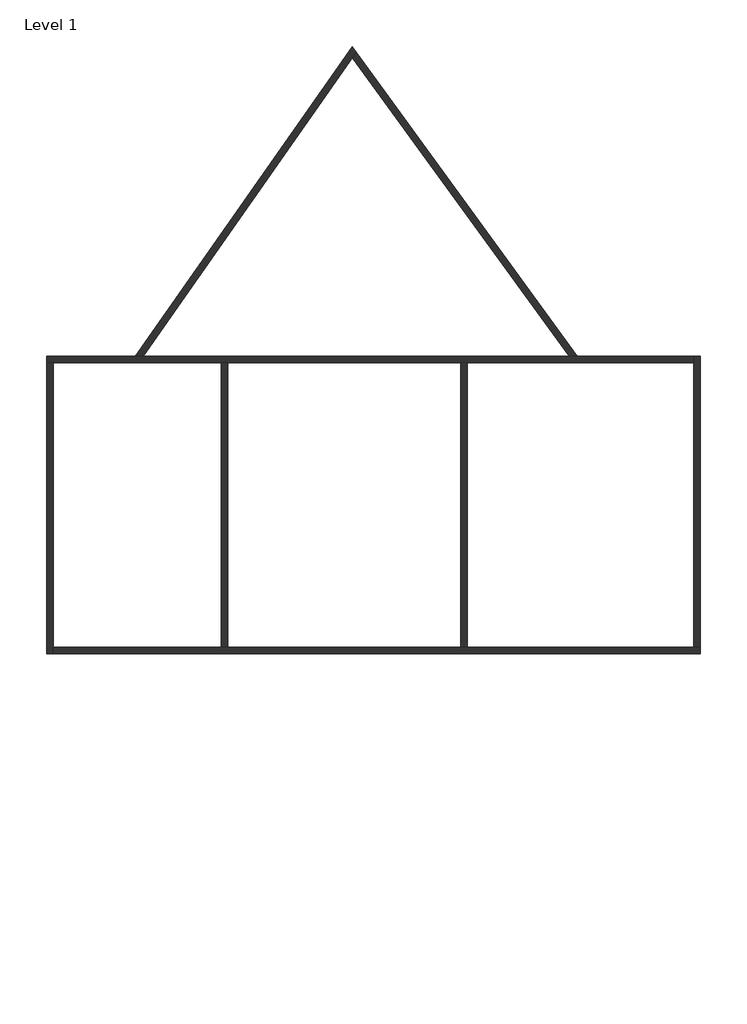
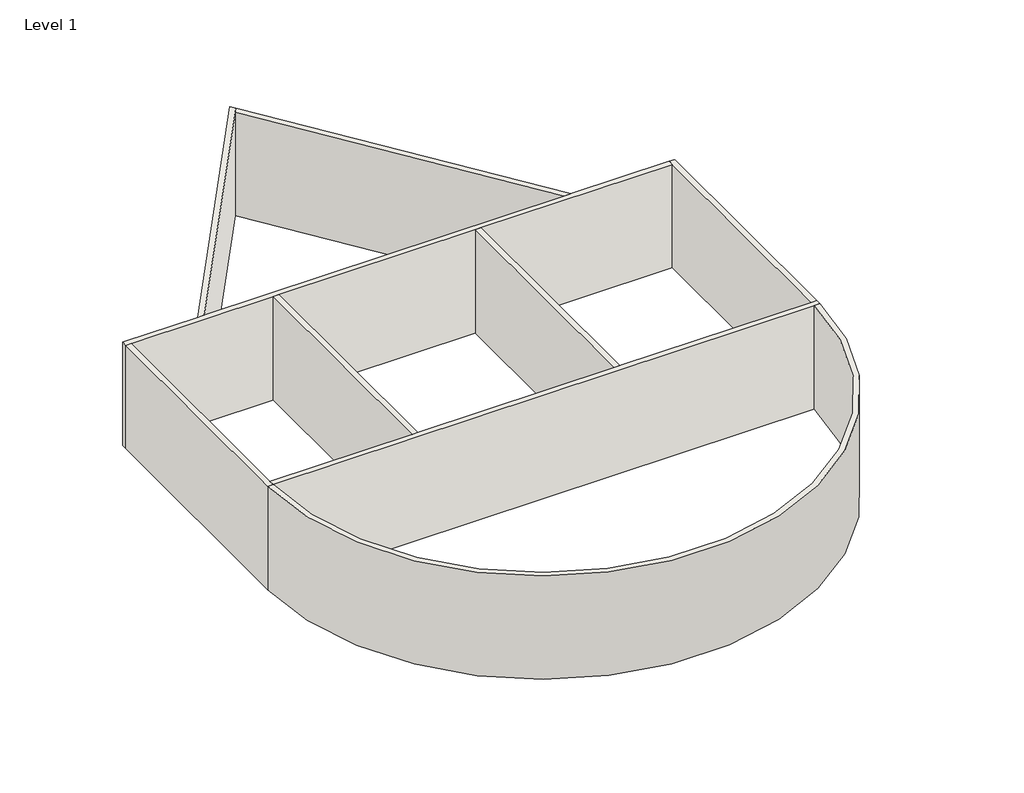
# One storey: 9 walls.
"""IFC4 building model written with IfcOpenShell, lengths in millimetres."""

import ifcopenshell
import ifcopenshell.guid

model = None  # the IFC model being written
_history = None  # IfcOwnerHistory: only IFC2X3 demands one
_inside = {}  # id of a spatial element -> (the spatial element, [elements in it])
_under = {}  # id of a project, library or spatial element -> (it, [spatial elements below it])
_declared = {}  # id of a project -> (the project, [libraries it declares])
_typed = {}  # id of a type object -> (the type object, [elements of that type])
_made_of = {}  # id of a material, layer set ... -> (it, [elements and type objects made of it])


def new_model(schema):
    """Start an empty IFC model of exactly this schema.

    Asked for "IFC4X3", IfcOpenShell would pick the latest addendum, in which some entities
    have other attributes; the version numbers below select the first issue.
    IFC2X3 requires an IfcOwnerHistory on every rooted entity: one is made here for all.
    """
    global model, _history
    if schema == "IFC4X3":
        model = ifcopenshell.file(schema_version=(4, 3, 0, 0))
    else:
        model = ifcopenshell.file(schema=schema)
    _inside.clear()
    _under.clear()
    _declared.clear()
    _typed.clear()
    _made_of.clear()
    _history = None
    if model.schema == "IFC2X3":
        org = make("IfcOrganization", Name="unknown")
        user = make(
            "IfcPersonAndOrganization",
            ThePerson=make("IfcPerson", FamilyName="unknown"),
            TheOrganization=org,
        )
        app = make(
            "IfcApplication",
            ApplicationDeveloper=org,
            Version="unknown",
            ApplicationFullName="unknown",
            ApplicationIdentifier="unknown",
        )
        _history = make(
            "IfcOwnerHistory",
            OwningUser=user,
            OwningApplication=app,
            ChangeAction="ADDED",
            CreationDate=0,
        )
    return model


def make(cls, **values):
    """One entity of the class cls with the attributes given. An attribute that is None is left unset."""
    return model.create_entity(
        cls, **{name: value for name, value in values.items() if value is not None}
    )


def rooted(cls, **values):
    """An entity with a GlobalId (a new one), such as an element, a storey or a relation."""
    return make(cls, GlobalId=ifcopenshell.guid.new(), OwnerHistory=_history, **values)


def si_unit(unit_type, name, prefix=None):
    """IfcSIUnit, for example si_unit("LENGTHUNIT", "METRE", prefix="MILLI")."""
    return make("IfcSIUnit", UnitType=unit_type, Prefix=prefix, Name=name)


def assignment(units):
    """IfcUnitAssignment: the units of a project."""
    return None if units is None else make("IfcUnitAssignment", Units=units)


def point(xyz):
    """IfcCartesianPoint."""
    return None if xyz is None else make("IfcCartesianPoint", Coordinates=xyz)


def direction(xyz):
    """IfcDirection."""
    return None if xyz is None else make("IfcDirection", DirectionRatios=xyz)


def frame(location, z_axis=None, x_axis=None):
    """IfcAxis2Placement3D, a coordinate frame: its origin and axes. An axis left out is left unset."""
    return make(
        "IfcAxis2Placement3D",
        Location=point(location),
        Axis=direction(z_axis),
        RefDirection=direction(x_axis),
    )


def origin():
    """The frame at (0, 0, 0) with its axes left unset."""
    return frame((0.0, 0.0, 0.0))


def origin_with_axes():
    """The frame at (0, 0, 0) with the z axis (0, 0, 1) and the x axis (1, 0, 0) written out."""
    return frame((0.0, 0.0, 0.0), z_axis=(0.0, 0.0, 1.0), x_axis=(1.0, 0.0, 0.0))


def place(relative_to, where):
    """IfcLocalPlacement: puts the frame where relative to a parent placement (None: the world)."""
    return make(
        "IfcLocalPlacement", PlacementRelTo=relative_to, RelativePlacement=where
    )


def context(
    kind, dimensions, precision=None, world=None, true_north=None, identifier=None
):
    """IfcGeometricRepresentationContext, for example the 3D "Model" context."""
    return make(
        "IfcGeometricRepresentationContext",
        ContextIdentifier=identifier,
        ContextType=kind,
        CoordinateSpaceDimension=dimensions,
        Precision=precision,
        WorldCoordinateSystem=world,
        TrueNorth=true_north,
    )


def project(units=None, contexts=None):
    """IfcProject with its units and contexts."""
    return rooted(
        "IfcProject",
        Name="project",
        RepresentationContexts=contexts,
        UnitsInContext=assignment(units),
    )


def spatial(cls, under=None, at=None, **own):
    """A site, building, storey or space (cls), placed at a placement, below another one or the project."""
    s = rooted(cls, ObjectPlacement=at, **own)
    if under is not None:
        _under.setdefault(under.id(), (under, []))[1].append(s)
    return s


def polyline(points):
    """IfcPolyline through the points."""
    return make("IfcPolyline", Points=[point(p) for p in points])


def circle_curve(where, radius):
    """IfcCircle in the frame where."""
    return make("IfcCircle", Position=where, Radius=radius)


def outline(outer, holes=None, kind="AREA"):
    """IfcArbitraryClosedProfileDef: a profile drawn as a closed curve; with holes, ...WithVoids."""
    if holes is None:
        return make("IfcArbitraryClosedProfileDef", ProfileType=kind, OuterCurve=outer)
    return make(
        "IfcArbitraryProfileDefWithVoids",
        ProfileType=kind,
        OuterCurve=outer,
        InnerCurves=holes,
    )


def extrude(swept, where, along, depth):
    """IfcExtrudedAreaSolid: the profile swept, set in the frame where, extruded along a direction by depth."""
    return make(
        "IfcExtrudedAreaSolid",
        SweptArea=swept,
        Position=where,
        ExtrudedDirection=direction(along),
        Depth=depth,
    )


def faces_of(points, faces, orient=None, outer=None):
    """IfcFace entities. A face is a list of loops; a loop is a list of indices into points, from 0.

    orient and outer hold one flag for each loop. By default every Orientation is true, the
    first loop of a face is its IfcFaceOuterBound and the others are IfcFaceBound.
    """
    made = []
    for i, loops in enumerate(faces):
        bounds = []
        for j, loop in enumerate(loops):
            is_outer = j == 0 if outer is None else outer[i][j]
            bounds.append(
                make(
                    "IfcFaceOuterBound" if is_outer else "IfcFaceBound",
                    Bound=make("IfcPolyLoop", Polygon=[points[k] for k in loop]),
                    Orientation=True if orient is None else orient[i][j],
                )
            )
        made.append(make("IfcFace", Bounds=bounds))
    return made


def faceted_brep(points, faces, orient=None, outer=None, voids=None):
    """IfcFacetedBrep: a solid bounded by flat faces; with voids (closed shells), ...WithVoids."""
    shared = [point(p) for p in points]
    hull = make("IfcClosedShell", CfsFaces=faces_of(shared, faces, orient, outer))
    if voids is None:
        return make("IfcFacetedBrep", Outer=hull)
    return make(
        "IfcFacetedBrepWithVoids",
        Outer=hull,
        Voids=[
            make(cls, CfsFaces=faces_of(shared, fs, o, b)) for cls, fs, o, b in voids
        ],
    )


def shape(context_of_items, identifier, shape_type, items):
    """IfcShapeRepresentation: the items that make up one representation, for example the "Body"."""
    return make(
        "IfcShapeRepresentation",
        ContextOfItems=context_of_items,
        RepresentationIdentifier=identifier,
        RepresentationType=shape_type,
        Items=items,
    )


def made_of(thing, what):
    """Note that an element or type object is made of a material, layer set ...; save() writes the relation."""
    if what is not None:
        _made_of.setdefault(what.id(), (what, []))[1].append(thing)
    return thing


def element(
    cls,
    number,
    at=None,
    inside=None,
    cuts=None,
    type_object=None,
    material=None,
    context=None,
    identifier="Body",
    shape_type=None,
    held_by="IfcProductDefinitionShape",
    body=None,
    shapes=None,
    **own,
):
    """One element of the class cls, such as IfcWall. Its Tag is "e" and its number.

    at: its placement. inside: the storey or other place that contains it. cuts: it is an
    opening in that element (IfcRelVoidsElement). A single representation is given by context,
    identifier, shape_type and body (its items); several are given by shapes. held_by: the class
    of the entity that holds the representations. save() writes the other relations.
    """
    e = rooted(cls, Tag="e%d" % number, ObjectPlacement=at, **own)
    if body is not None:
        shapes = [shape(context, identifier, shape_type, body)]
    if shapes is not None:
        e.Representation = make(held_by, Representations=shapes)
    if inside is not None:
        _inside.setdefault(inside.id(), (inside, []))[1].append(e)
    if cuts is not None:
        rooted(
            "IfcRelVoidsElement", RelatingBuildingElement=cuts, RelatedOpeningElement=e
        )
    if type_object is not None:
        _typed.setdefault(type_object.id(), (type_object, []))[1].append(e)
    return made_of(e, material)


def aggregate(whole, parts):
    """IfcRelAggregates: a whole, such as a stair, and the parts it consists of."""
    return rooted("IfcRelAggregates", RelatingObject=whole, RelatedObjects=parts)


def save(model, path):
    """Write the relations noted so far, then the file.

    IfcRelAggregates (storeys below a building ...), IfcRelContainedInSpatialStructure (elements
    in a storey), IfcRelDefinesByType, IfcRelAssociatesMaterial and IfcRelDeclares: one each for
    every whole, place, type object, material and project.
    """
    for whole, parts in _under.values():
        aggregate(whole, parts)
    for where, things in _inside.values():
        rooted(
            "IfcRelContainedInSpatialStructure",
            RelatedElements=things,
            RelatingStructure=where,
        )
    for kind, things in _typed.values():
        rooted("IfcRelDefinesByType", RelatedObjects=things, RelatingType=kind)
    for what, things in _made_of.values():
        rooted("IfcRelAssociatesMaterial", RelatedObjects=things, RelatingMaterial=what)
    for by, libraries in _declared.values():
        rooted("IfcRelDeclares", RelatingContext=by, RelatedDefinitions=libraries)
    model.write(path)


def plane_surface(at):
    """IfcPlane: the flat surface through the origin of the frame at, square to its z axis."""
    return make("IfcPlane", Position=at)


def cylinder_surface(at, radius):
    """IfcCylindricalSurface: all points at the distance radius from the z axis of the frame at."""
    return make("IfcCylindricalSurface", Position=at, Radius=radius)


def revolved_surface(curve, axis_point, axis_direction):
    """IfcSurfaceOfRevolution: the curve turned about the line through axis_point along axis_direction."""
    return make(
        "IfcSurfaceOfRevolution",
        SweptCurve=make("IfcArbitraryOpenProfileDef", ProfileType="CURVE", Curve=curve),
        AxisPosition=make("IfcAxis1Placement", Location=point(axis_point), Axis=direction(axis_direction)),
    )


def advanced_brep(points, edges, surfaces, faces):
    """IfcAdvancedBrep: a solid bounded by faces that lie on surfaces and meet in shared edges.

    An edge is (start, end): straight between two places in points (the first is 0);
    or (start, end, curve); or (start, end, curve, False) where it runs against its curve.
    A face is (place in surfaces, loops), or (place, loops, False) where it looks against
    its surface's normal. A loop lists edges by number (the first is 1), with a minus sign
    where the edge is run from its end to its start. The first loop is the outer one.
    """
    corners = [point(p) for p in points]
    vertices = [make("IfcVertexPoint", VertexGeometry=c) for c in corners]
    made = []
    for start, end, *more in edges:
        made.append(
            make(
                "IfcEdgeCurve",
                EdgeStart=vertices[start],
                EdgeEnd=vertices[end],
                EdgeGeometry=more[0] if more else make("IfcPolyline", Points=[corners[start], corners[end]]),
                SameSense=more[1] if len(more) > 1 else True,
            )
        )
    hull = []
    for where, loops, *sense in faces:
        bounds = []
        for j, loop in enumerate(loops):
            ring = [make("IfcOrientedEdge", EdgeElement=made[abs(k) - 1], Orientation=k > 0) for k in loop]
            bounds.append(
                make(
                    "IfcFaceOuterBound" if j == 0 else "IfcFaceBound",
                    Bound=make("IfcEdgeLoop", EdgeList=ring),
                    Orientation=True,
                )
            )
        hull.append(make("IfcAdvancedFace", Bounds=bounds, FaceSurface=surfaces[where], SameSense=sense[0] if sense else True))
    return make("IfcAdvancedBrep", Outer=make("IfcClosedShell", CfsFaces=hull))


model = new_model("IFC4")

# Units and contexts
model_context = context("Model", 3, world=origin())
ifc_project = project(units=[si_unit("LENGTHUNIT", "METRE", prefix="MILLI")], contexts=[model_context])

# Site, building, storey
site = spatial("IfcSite", under=ifc_project)
building = spatial("IfcBuilding", under=site)
storey = spatial("IfcBuildingStorey", under=building, Name="Level 1", Elevation=0.0)

# Walls
placement = place(None, origin())
element("IfcWall", 1, ObjectType="Generic - 200mm", at=placement, inside=storey, context=model_context, shape_type="Brep", body=[
    faceted_brep([(-13694.0200732, 8787.2029589, 0.0), (-13494.0200732, 8787.2029589, 0.0), (-8294.0200732, 8787.2029589, 0.0), (-8094.0200732, 8787.2029589, 0.0), (-894.0200732, 8787.2029589, 0.0), (-694.0200732, 8787.2029589, 0.0), (6305.9799268, 8787.2029589, 0.0), (6305.9799268, 8787.2029589, 4000.0), (-694.0200732, 8787.2029589, 4000.0), (-894.0200732, 8787.2029589, 4000.0), (-8094.0200732, 8787.2029589, 4000.0), (-8294.0200732, 8787.2029589, 4000.0), (-13494.0200732, 8787.2029589, 4000.0), (-13694.0200732, 8787.2029589, 4000.0), (-13694.0200732, 8987.2029589, 0.0), (-13694.0200732, 8987.2029589, 4000.0), (-10946.0767782, 8987.2029589, 4000.0), (-10701.9218605, 8987.2029589, 4000.0), (2466.9315841, 8987.2029589, 4000.0), (2714.1451796, 8987.2029589, 4000.0), (6305.9799268, 8987.2029589, 4000.0), (6305.9799268, 8987.2029589, 0.0), (2714.1451796, 8987.2029589, 0.0), (2466.9315841, 8987.2029589, 0.0), (-10701.9218605, 8987.2029589, 0.0), (-10946.0767782, 8987.2029589, 0.0)], [[[0, 1, 2, 3, 4, 5, 6, 7, 8, 9, 10, 11, 12, 13]], [[14, 15, 16, 17, 18, 19, 20, 21, 22, 23, 24, 25]], [[6, 5, 4, 3, 2, 1, 0, 14, 25, 24, 23, 22, 21]], [[13, 12, 11, 10, 9, 8, 7, 20, 19, 18, 17, 16, 15]], [[0, 13, 15, 14]], [[7, 6, 21, 20]]]),
])
element("IfcWall", 2, ObjectType="Generic - 200mm", at=placement, inside=storey, context=model_context, shape_type="Brep", body=[
    faceted_brep([(-13494.0200732, -212.7970411, 0.0), (-13494.0200732, -12.7970411, 0.0), (-13494.0200732, 8787.2029589, 0.0), (-13494.0200732, 8787.2029589, 4000.0), (-13494.0200732, -12.7970411, 4000.0), (-13494.0200732, -212.7970411, 4000.0), (-13694.0200732, -212.7970411, 0.0), (-13694.0200732, -212.7970411, 4000.0), (-13694.0200732, 8787.2029589, 4000.0), (-13694.0200732, 8787.2029589, 0.0), (-13693.5250115, -212.7970411, 0.0), (-13693.5250115, -212.7970411, 4000.0)], [[[0, 1, 2, 3, 4, 5]], [[6, 7, 8, 9]], [[2, 1, 0, 10, 6, 9]], [[5, 4, 3, 8, 7, 11]], [[0, 5, 11, 7, 6, 10]], [[3, 2, 9, 8]]]),
])
element("IfcWall", 3, ObjectType="Generic - 200mm", at=placement, inside=storey, context=model_context, shape_type="Brep", body=[
    faceted_brep([(6505.9799268, -12.7970411, 0.0), (6305.9799268, -12.7970411, 0.0), (-694.0200732, -12.7970411, 0.0), (-894.0200732, -12.7970411, 0.0), (-8094.0200732, -12.7970411, 0.0), (-8294.0200732, -12.7970411, 0.0), (-13494.0200732, -12.7970411, 0.0), (-13494.0200732, -12.7970411, 4000.0), (-8294.0200732, -12.7970411, 4000.0), (-8094.0200732, -12.7970411, 4000.0), (-894.0200732, -12.7970411, 4000.0), (-694.0200732, -12.7970411, 4000.0), (6305.9799268, -12.7970411, 4000.0), (6505.9799268, -12.7970411, 4000.0), (6505.9799268, -212.7970411, 0.0), (6505.9799268, -212.7970411, 4000.0), (6505.4848652, -212.7970411, 4000.0), (6305.4748635, -212.7970411, 4000.0), (-13493.5150098, -212.7970411, 4000.0), (-13494.0200732, -212.7970411, 4000.0), (-13494.0200732, -212.7970411, 0.0), (-13493.5150098, -212.7970411, 0.0), (6305.4748635, -212.7970411, 0.0), (6505.4848652, -212.7970411, 0.0)], [[[0, 1, 2, 3, 4, 5, 6, 7, 8, 9, 10, 11, 12, 13]], [[14, 15, 16, 17, 18, 19, 20, 21, 22, 23]], [[6, 5, 4, 3, 2, 1, 0, 14, 23, 22, 21, 20]], [[13, 12, 11, 10, 9, 8, 7, 19, 18, 17, 16, 15]], [[0, 13, 15, 14]], [[7, 6, 20, 19]]]),
])
element("IfcWall", 4, ObjectType="Generic - 200mm", at=placement, inside=storey, context=model_context, shape_type="Brep", body=[
    faceted_brep([(6305.9799268, 8987.2029589, 0.0), (6305.9799268, 8787.2029589, 0.0), (6305.9799268, -12.7970411, 0.0), (6305.9799268, -12.7970411, 4000.0), (6305.9799268, 8787.2029589, 4000.0), (6305.9799268, 8987.2029589, 4000.0), (6505.9799268, 8987.2029589, 0.0), (6505.9799268, 8987.2029589, 4000.0), (6505.9799268, -12.7970411, 4000.0), (6505.9799268, -12.7970411, 0.0)], [[[0, 1, 2, 3, 4, 5]], [[6, 7, 8, 9]], [[2, 1, 0, 6, 9]], [[5, 4, 3, 8, 7]], [[0, 5, 7, 6]], [[3, 2, 9, 8]]]),
])
element("IfcWall", 5, ObjectType="Generic - 200mm", at=placement, inside=storey, context=model_context, shape_type="SweptSolid", body=[
    extrude(outline(polyline([(-8294.0200732, -12.7970411), (-8294.0200732, 8787.2029589), (-8094.0200732, 8787.2029589), (-8094.0200732, -12.7970411), (-8294.0200732, -12.7970411)])), origin_with_axes(), (0.0, 0.0, 1.0), 4000.0),
])
element("IfcWall", 6, ObjectType="Generic - 200mm", at=placement, inside=storey, context=model_context, shape_type="SweptSolid", body=[
    extrude(outline(polyline([(-894.0200732, -12.7970411), (-894.0200732, 8787.2029589), (-694.0200732, 8787.2029589), (-694.0200732, -12.7970411), (-894.0200732, -12.7970411)])), origin_with_axes(), (0.0, 0.0, 1.0), 4000.0),
])
element("IfcWall", 7, ObjectType="Generic - 200mm", at=placement, inside=storey, context=model_context, shape_type="AdvancedBrep", body=[
    advanced_brep(
    [(6305.4748635, -212.7970411, 4000.0), (-13493.5150098, -212.7970411, 4000.0), (-13494.0200732, -212.7970411, 4000.0), (-13693.5250115, -212.7970411, 4000.0), (6505.4848652, -212.7970411, 4000.0), (6305.4748635, -212.7970411, 0.0), (6505.4848652, -212.7970411, 0.0), (-13693.5250115, -212.7970411, 0.0), (-13494.0200732, -212.7970411, 0.0), (-13493.5150098, -212.7970411, 0.0)],
    [
        (0, 1, circle_curve(frame((-3594.0200732, -112.7970411, 4000.0), z_axis=(0.0, 0.0, -1.0), x_axis=(1.0, 0.0, 0.0)), 9900.0)),
        (1, 2),
        (2, 3),
        (3, 4, circle_curve(frame((-3594.0200732, -112.7970411, 4000.0), z_axis=(0.0, 0.0, 1.0), x_axis=(1.0, 0.0, 0.0)), 10100.0)),
        (4, 0),
        (5, 6),
        (6, 7, circle_curve(frame((-3594.0200732, -112.7970411, 0.0), z_axis=(0.0, 0.0, -1.0), x_axis=(1.0, 0.0, 0.0)), 10100.0)),
        (7, 8),
        (8, 9),
        (9, 5, circle_curve(frame((-3594.0200732, -112.7970411, 0.0), z_axis=(0.0, 0.0, 1.0), x_axis=(1.0, 0.0, 0.0)), 9900.0)),
        (0, 5),
        (9, 1),
        (3, 7),
        (6, 4),
    ],
    [
        plane_surface(frame((6305.9799268, -112.7970411, 4000.0), z_axis=(0.0, 0.0, 1.0), x_axis=(0.0, -1.0, 0.0))),
        plane_surface(frame((6305.9799268, -112.7970411, 0.0), z_axis=(0.0, 0.0, -1.0), x_axis=(0.0, 1.0, 0.0))),
        revolved_surface(polyline([(6305.979926800001, -112.7970411, 0.0), (6305.979926800001, -112.7970411, 4000.0)]), (-3594.0200732, -112.7970411, 0.0), (0.0, 0.0, -1.0)),
        cylinder_surface(frame((-3594.0200732, -112.7970411, 0.0), z_axis=(0.0, 0.0, 1.0), x_axis=(1.0, 0.0, 0.0)), 10100.0),
        plane_surface(frame((5405.9799268, -212.7970411, 0.0), z_axis=(0.0, 1.0, 0.0), x_axis=(1.0, 0.0, 0.0))),
    ],
    [
        (0, [[1, 2, 3, 4, 5]]),
        (1, [[6, 7, 8, 9, 10]]),
        (2, [[-1, 11, -10, 12]]),
        (3, [[-4, 13, -7, 14]]),
        (4, [[-3, -2, -12, -9, -8, -13]]),
        (4, [[-5, -14, -6, -11]]),
    ],
),
])
element("IfcWall", 8, ObjectType="Generic - 200mm", at=placement, inside=storey, context=model_context, shape_type="Brep", body=[
    faceted_brep([(-10701.9218605, 8987.2029589, 0.0), (-4239.0306577, 18217.1681479, 0.0), (-4117.7053975, 18390.4385765, 0.0), (-4117.7053975, 18390.4385765, 4000.0), (-4239.0306577, 18217.1681479, 4000.0), (-10701.9218605, 8987.2029589, 4000.0), (-10946.0767782, 8987.2029589, 0.0), (-10946.0767782, 8987.2029589, 4000.0), (-4242.0361652, 18561.5651974, 4000.0), (-4242.0361652, 18561.5651974, 0.0)], [[[0, 1, 2, 3, 4, 5]], [[6, 7, 8, 9]], [[2, 1, 0, 6, 9]], [[5, 4, 3, 8, 7]], [[0, 5, 7, 6]], [[3, 2, 9, 8]]]),
])
element("IfcWall", 9, ObjectType="Generic - 200mm", at=placement, inside=storey, context=model_context, shape_type="SweptSolid", body=[
    extrude(outline(polyline([(2466.9315841, 8987.2029589), (-4239.0306577, 18217.1681479), (-4117.7053975, 18390.4385765), (2714.1451796, 8987.2029589), (2466.9315841, 8987.2029589)])), origin_with_axes(), (0.0, 0.0, 1.0), 4000.0),
])

save(model, "model.ifc")
